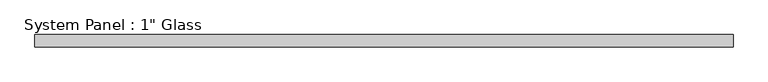
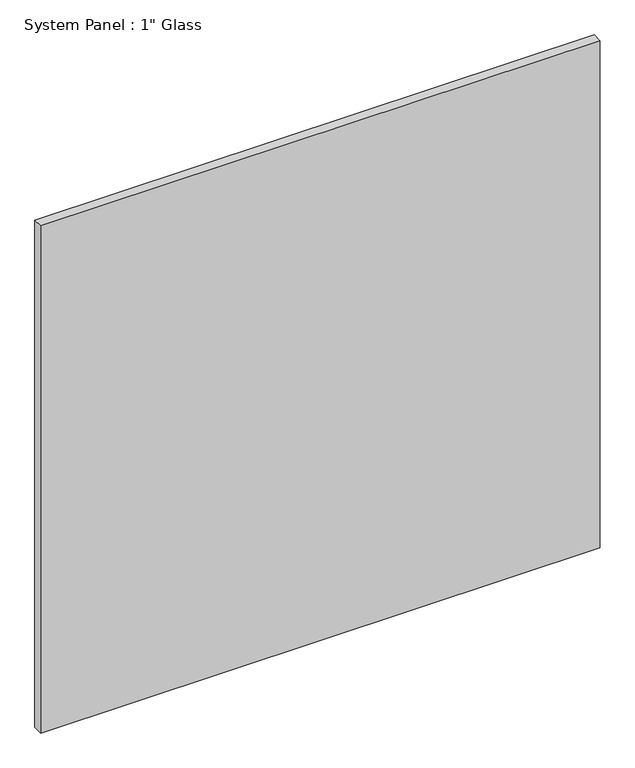
"""IFC4 building model written with IfcOpenShell, lengths in millimetres: plate geometry."""

from ifc_helpers import new_model, si_unit, origin, origin_with_axes, place, context, project, spatial, polyline, outline, extrude, source, transform, mapped, element, save


def plate_4c2ba665(model_context):
    return source(origin(), model_context, "Body", "SweptSolid", [
        extrude(outline(polyline([(724.9095691, -12.7), (-724.9095691, -12.7), (-724.9095691, 12.7), (724.9095691, 12.7), (724.9095691, -12.7)])), origin_with_axes(), (0.0, 0.0, 1.0), 1388.8591382),
    ])


if __name__ == "__main__":
    model = new_model("IFC4")
    model_context = context("Model", 3, world=origin())
    ifc_project = project(units=[si_unit("LENGTHUNIT", "METRE", prefix="MILLI")], contexts=[model_context])
    site = spatial("IfcSite", under=ifc_project)
    building = spatial("IfcBuilding", under=site)
    placement = place(None, origin())
    plate_shape = plate_4c2ba665(model_context)
    element("IfcPlate", 1, ObjectType="System Panel : 1\" Glass", at=placement, inside=building, context=model_context, shape_type="MappedRepresentation", body=[
        mapped(plate_shape, transform((0.0, 0.0, 0.0), x_axis=(1.0, 0.0, 0.0), y_axis=(0.0, 1.0, 0.0), z_axis=(0.0, 0.0, 1.0))),
    ])
    save(model, "model.ifc")
